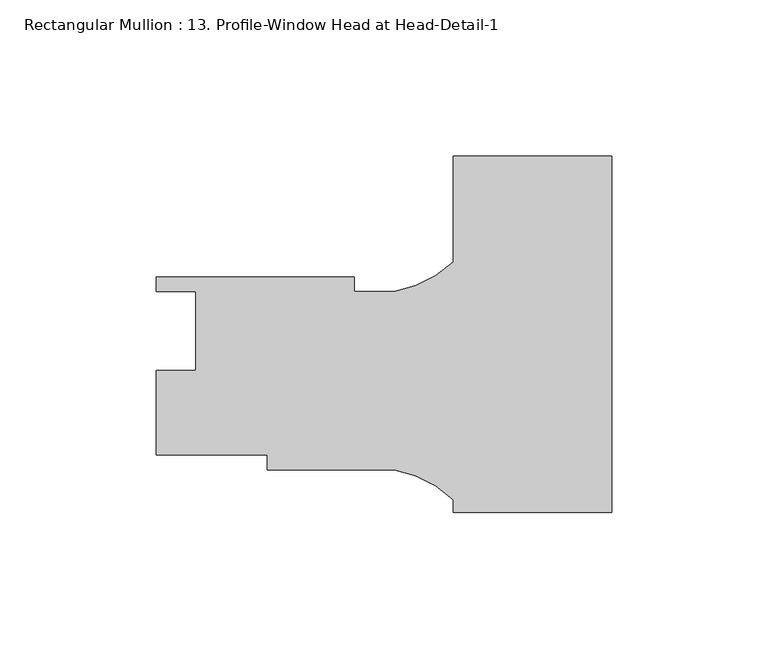
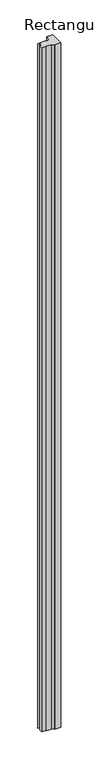
"""IFC4 building model written with IfcOpenShell, lengths in millimetres: member geometry, Rectangular Mullion : 13. Profile-Window Head at Head-Detail-1."""

from ifc_helpers import new_model, si_unit, point, frame, frame_2d, origin, place, context, project, spatial, polyline, circle_curve, trimmed, segment, composite_curve, outline, extrude, source, transform, mapped, element, save


def rectangular_mullion_13_profile_window_head_at_head_detail_1_b1d58da8(model_context):
    return source(origin(), model_context, "Body", "SweptSolid", [
        extrude(outline(composite_curve([segment(polyline([(0.0, -58.142251), (-50.8, -58.142251), (-50.8, -54.0392025)]), True, "CONTINUOUS"), segment(trimmed(circle_curve(frame_2d((-76.1593001, -80.9073848)), 36.945816), [point((-50.8, -54.0392025))], [point((-69.7922855, -44.5143299))], True, "CARTESIAN"), True, "CONTINUOUS"), segment(polyline([(-69.7922855, -44.5143299), (-110.4500517, -44.5143299), (-110.4500517, -39.7518299), (-146.05, -39.7518299), (-146.05, -12.7008299), (-133.35, -12.7008299), (-133.35, 12.6991701), (-146.05, 12.6991701), (-146.05, 17.3981701), (-82.55, 17.3981701), (-82.55, 12.6356701), (-69.7937361, 12.6356701)]), True, "CONTINUOUS"), segment(trimmed(circle_curve(frame_2d((-76.1593001, 49.0289788)), 36.945816), [point((-69.7937361, 12.6356701))], [point((-50.8, 22.1607965))], True, "CARTESIAN"), True, "CONTINUOUS"), segment(polyline([(-50.8, 22.1607965), (-50.8, 56.157749), (0.0, 56.157749), (0.0, -58.142251)]), True, "CONTINUOUS")], self_intersect=False)), frame((0.0, 0.0, -5918.2017945), z_axis=(0.0, 0.0, 1.0), x_axis=(1.0, 0.0, 0.0)), (0.0, 0.0, 1.0), 5918.2017945),
    ])


if __name__ == "__main__":
    model = new_model("IFC4")
    model_context = context("Model", 3, world=origin())
    ifc_project = project(units=[si_unit("LENGTHUNIT", "METRE", prefix="MILLI")], contexts=[model_context])
    site = spatial("IfcSite", under=ifc_project)
    building = spatial("IfcBuilding", under=site)
    placement = place(None, origin())
    rectangular_mullion_13_profile_window_head_at_head_detail_1_shape = rectangular_mullion_13_profile_window_head_at_head_detail_1_b1d58da8(model_context)
    element("IfcMember", 1, ObjectType="Rectangular Mullion : 13. Profile-Window Head at Head-Detail-1", at=placement, inside=building, context=model_context, shape_type="MappedRepresentation", body=[
        mapped(rectangular_mullion_13_profile_window_head_at_head_detail_1_shape, transform((0.0, 0.0, 0.0), x_axis=(1.0, 0.0, 0.0), y_axis=(0.0, 1.0, 0.0), z_axis=(0.0, 0.0, 1.0))),
    ])
    save(model, "model.ifc")
